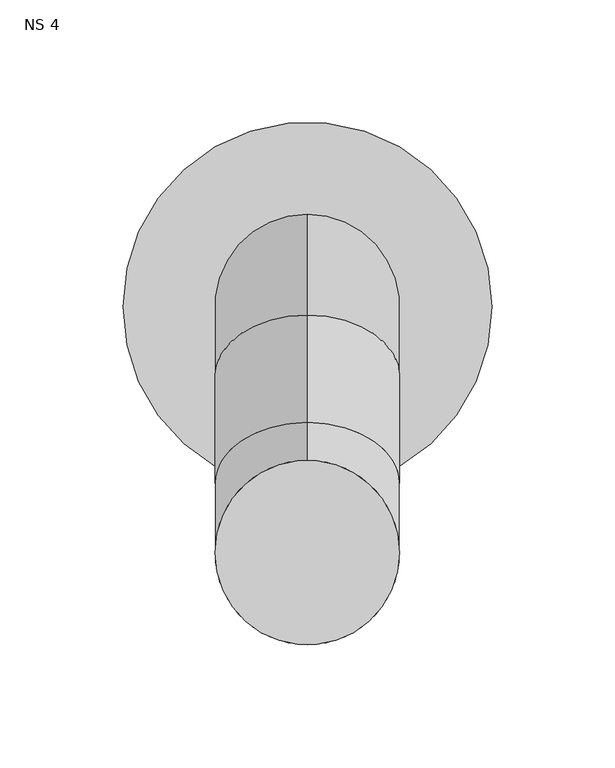
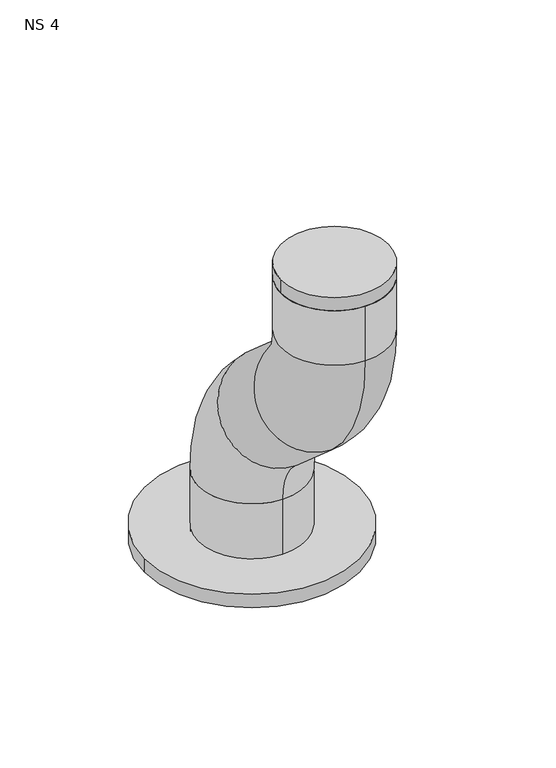
"""IFC4 building model written with IfcOpenShell, lengths in millimetres: unitary equipment geometry, NS 4."""

from ifc_helpers import new_model, si_unit, point, frame, frame_2d, origin, place, context, project, spatial, circle_curve, ellipse_curve, trimmed, segment, composite_curve, outline, extrude, source, transform, mapped, element, save
from ifc_brep_helpers import plane_surface, cylinder_surface, revolved_surface, advanced_brep


def ns_4_77ed75c0(model_context):
    return source(origin(), model_context, "Body", "SolidModel", [
        advanced_brep(
        [(-225.0, 37.5, 1252.0), (-225.0, -37.5, 1252.0), (-225.0, 37.5, 1302.1666667), (-225.0, -37.5, 1302.1666667), (-225.0, -52.9188525, 1336.1888735), (-225.0, -3.4777932, 1392.5855192), (-225.0, -47.0811475, 1430.8111265), (-225.0, -96.5222068, 1374.4144808), (-225.0, -137.5, 1464.8333333), (-225.0, -62.5, 1464.8333333), (-225.0, -62.5, 1505.0), (-225.0, -137.5, 1505.0)],
        [
            (0, 1, circle_curve(frame((-225.0, 0.0, 1252.0), z_axis=(0.0, 0.0, -1.0), x_axis=(0.0, -1.0, 0.0)), 37.5)),
            (1, 0, circle_curve(frame((-225.0, 0.0, 1252.0), z_axis=(0.0, 0.0, -1.0), x_axis=(0.0, -1.0, 0.0)), 37.5)),
            (0, 2),
            (2, 3, circle_curve(frame((-225.0, 0.0, 1302.1666667), z_axis=(0.0, 0.0, -1.0), x_axis=(0.0, -1.0, 0.0)), 37.5)),
            (3, 1),
            (3, 2, circle_curve(frame((-225.0, 0.0, 1302.1666667), z_axis=(0.0, 0.0, -1.0), x_axis=(0.0, -1.0, 0.0)), 37.5)),
            (4, 3, circle_curve(frame((-225.0, -82.7449872, 1302.1666667), z_axis=(-1.0, 0.0, 0.0), x_axis=(0.0, 1.0, 0.0)), 45.2449872)),
            (2, 5, circle_curve(frame((-225.0, -82.7449872, 1302.1666667), z_axis=(1.0, 0.0, 0.0), x_axis=(0.0, 1.0, 0.0)), 120.2449872)),
            (5, 4, circle_curve(frame((-225.0, -28.1983228, 1364.3871964), z_axis=(0.0, 0.7519552759659777, -0.6592141252635069), x_axis=(0.0, -0.6592141252635069, -0.7519552759659777)), 37.5)),
            (4, 5, circle_curve(frame((-225.0, -28.1983228, 1364.3871964), z_axis=(0.0, 0.7519552759659779, -0.6592141252635065), x_axis=(0.0, -0.6592141252635065, -0.7519552759659779)), 37.5)),
            (5, 6),
            (6, 7, circle_curve(frame((-225.0, -71.8016772, 1402.6128036), z_axis=(0.0, 0.7519552759659772, -0.6592141252635073), x_axis=(0.0, -0.6592141252635073, -0.7519552759659772)), 37.5)),
            (7, 4),
            (7, 6, circle_curve(frame((-225.0, -71.8016772, 1402.6128036), z_axis=(0.0, 0.7519552759659772, -0.6592141252635073), x_axis=(0.0, -0.6592141252635073, -0.7519552759659772)), 37.5)),
            (8, 7, circle_curve(frame((-225.0, -17.2550128, 1464.8333333), z_axis=(1.0, 0.0, 0.0), x_axis=(0.0, -0.6592141252635073, -0.7519552759659771)), 120.2449872)),
            (6, 9, circle_curve(frame((-225.0, -17.2550128, 1464.8333333), z_axis=(-1.0, 0.0, 0.0), x_axis=(0.0, -0.6592141252635073, -0.7519552759659771)), 45.2449872)),
            (9, 8, circle_curve(frame((-225.0, -100.0, 1464.8333333), z_axis=(0.0, 0.0, -1.0), x_axis=(0.0, -1.0, 0.0)), 37.5)),
            (8, 9, circle_curve(frame((-225.0, -100.0, 1464.8333333), z_axis=(0.0, 0.0, -1.0), x_axis=(0.0, -1.0, 0.0)), 37.5)),
            (10, 11, circle_curve(frame((-225.0, -100.0, 1505.0), z_axis=(0.0, 0.0, 1.0), x_axis=(0.0, -1.0, 0.0)), 37.5)),
            (11, 10, circle_curve(frame((-225.0, -100.0, 1505.0), z_axis=(0.0, 0.0, 1.0), x_axis=(0.0, -1.0, 0.0)), 37.5)),
            (9, 10),
            (11, 8),
        ],
        [
            plane_surface(frame((-225.0, 0.0, 1252.0), z_axis=(0.0, 0.0, -1.0), x_axis=(1.0, 0.0, 0.0))),
            cylinder_surface(frame((-225.0, 0.0, 1252.0), z_axis=(0.0, 0.0, -1.0), x_axis=(0.0, -1.0, 0.0)), 37.5),
            revolved_surface(trimmed(ellipse_curve(frame((-225.0, 0.0, 1302.1666667), z_axis=(0.0, 0.0, -1.0), x_axis=(0.0, -1.0, 0.0)), 37.5, 37.5), [point((-225.0, 37.5, 1302.1666667))], [point((-225.0, -37.5, 1302.1666667))], True, "CARTESIAN"), (-225.0, -82.7449872, 1302.1666667), (1.0, 0.0, 0.0)),
            revolved_surface(trimmed(ellipse_curve(frame((-225.0, 0.0, 1302.1666667), z_axis=(0.0, 0.0, -1.0), x_axis=(0.0, -1.0, 0.0)), 37.5, 37.5), [point((-225.0, -37.5, 1302.1666667))], [point((-225.0, 37.5, 1302.1666667))], True, "CARTESIAN"), (-225.0, -82.7449872, 1302.1666667), (1.0, 0.0, 0.0)),
            cylinder_surface(frame((-225.0, -28.1983228, 1364.3871964), z_axis=(0.0, 0.7519552759659772, -0.6592141252635073), x_axis=(0.0, -0.6592141252635073, -0.7519552759659772)), 37.5),
            revolved_surface(trimmed(ellipse_curve(frame((-225.0, -71.8016772, 1402.6128036), z_axis=(0.0, 0.7519552759659771, -0.6592141252635073), x_axis=(0.0, -0.6592141252635073, -0.7519552759659771)), 37.5, 37.5), [point((-225.0, -47.0811475, 1430.8111265))], [point((-225.0, -96.5222068, 1374.4144808))], True, "CARTESIAN"), (-225.0, -17.2550128, 1464.8333333), (-1.0, 0.0, 0.0)),
            revolved_surface(trimmed(ellipse_curve(frame((-225.0, -71.8016772, 1402.6128036), z_axis=(0.0, 0.7519552759659771, -0.6592141252635073), x_axis=(0.0, -0.6592141252635073, -0.7519552759659771)), 37.5, 37.5), [point((-225.0, -96.5222068, 1374.4144808))], [point((-225.0, -47.0811475, 1430.8111265))], True, "CARTESIAN"), (-225.0, -17.2550128, 1464.8333333), (-1.0, 0.0, 0.0)),
            plane_surface(frame((-225.0, -100.0, 1505.0), z_axis=(0.0, 0.0, 1.0), x_axis=(1.0, 0.0, 0.0))),
            cylinder_surface(frame((-225.0, -100.0, 1464.8333333), z_axis=(0.0, 0.0, -1.0), x_axis=(0.0, -1.0, 0.0)), 37.5),
        ],
        [
            (0, [[1, 2]]),
            (1, [[-1, 3, 4, 5]]),
            (1, [[-2, -5, 6, -3]]),
            (2, [[7, -4, 8, 9]]),
            (3, [[-8, -6, -7, 10]]),
            (4, [[-9, 11, 12, 13]]),
            (4, [[-10, -13, 14, -11]]),
            (5, [[15, -12, 16, 17]]),
            (6, [[-16, -14, -15, 18]]),
            (7, [[19, 20]]),
            (8, [[-17, 21, -20, 22]]),
            (8, [[-18, -22, -19, -21]]),
        ],
    ),
        extrude(outline(composite_curve([segment(trimmed(circle_curve(frame_2d((-225.0, -100.0)), 37.5), [point((-262.5, -100.0))], [point((-187.5, -100.0))], False, "CARTESIAN"), True, "CONTINUOUS"), segment(trimmed(circle_curve(frame_2d((-225.0, -100.0)), 37.5), [point((-187.5, -100.0))], [point((-262.5, -100.0))], False, "CARTESIAN"), True, "CONTINUOUS")], self_intersect=False)), frame((0.0, 0.0, 1505.0), z_axis=(0.0, 0.0, 1.0), x_axis=(1.0, 0.0, 0.0)), (0.0, 0.0, 1.0), 10.0),
        extrude(outline(composite_curve([segment(trimmed(circle_curve(frame_2d((-225.0, 0.0)), 75.0), [point((-300.0, 0.0))], [point((-150.0, 0.0))], False, "CARTESIAN"), True, "CONTINUOUS"), segment(trimmed(circle_curve(frame_2d((-225.0, 0.0)), 75.0), [point((-150.0, 0.0))], [point((-300.0, 0.0))], False, "CARTESIAN"), True, "CONTINUOUS")], self_intersect=False)), frame((0.0, 0.0, 1252.0), z_axis=(0.0, 0.0, 1.0), x_axis=(1.0, 0.0, 0.0)), (0.0, 0.0, 1.0), 10.0),
    ])


if __name__ == "__main__":
    model = new_model("IFC4")
    model_context = context("Model", 3, world=origin())
    ifc_project = project(units=[si_unit("LENGTHUNIT", "METRE", prefix="MILLI")], contexts=[model_context])
    site = spatial("IfcSite", under=ifc_project)
    building = spatial("IfcBuilding", under=site)
    placement = place(None, origin())
    ns_4_shape = ns_4_77ed75c0(model_context)
    element("IfcUnitaryEquipment", 1, ObjectType="NS 4", at=placement, inside=building, context=model_context, shape_type="MappedRepresentation", body=[
        mapped(ns_4_shape, transform((0.0, 0.0, 0.0), x_axis=(1.0, 0.0, 0.0), y_axis=(0.0, 1.0, 0.0), z_axis=(0.0, 0.0, 1.0))),
    ])
    save(model, "model.ifc")
